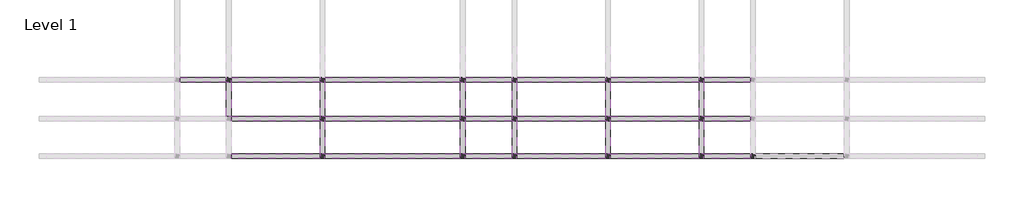
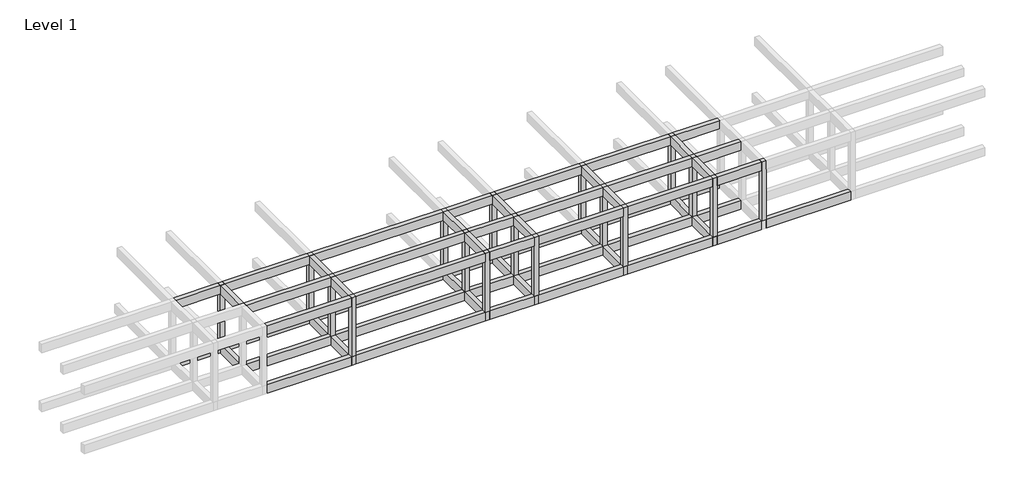
# One storey, part 2 of 5: 61 beams, 17 columns.
"""IFC4 building model written with IfcOpenShell, lengths in millimetres."""

from ifc_helpers import new_model, si_unit, frame, origin, origin_with_axes, place, context, project, spatial, polyline, outline, extrude, faceted_brep, element, save

model = new_model("IFC4")

# Units and contexts
model_context = context("Model", 3, world=origin())
ifc_project = project(units=[si_unit("LENGTHUNIT", "METRE", prefix="MILLI")], contexts=[model_context])

# Site, building, storey
site = spatial("IfcSite", under=ifc_project)
building = spatial("IfcBuilding", under=site)
storey = spatial("IfcBuildingStorey", under=building, Name="Level 1", Elevation=0.0)

# Beams
placement = place(None, origin())
element("IfcBeam", 1, ObjectType="M_Concrete-Rectangular Beam : 300 x 600mm", at=placement, inside=storey, context=model_context, shape_type="Brep", body=[
    faceted_brep([(7895.953533, -125.7492337, 0.0), (7595.953533, -125.7492337, 0.0), (7595.953533, -425.7492337, 0.0), (7595.953533, -2625.7492337, 0.0), (7895.953533, -2625.7492337, 0.0), (7895.953533, -425.7492337, 0.0), (7895.953533, -125.7492337, -600.0), (7895.953533, -2625.7492337, -600.0), (7895.953533, -425.7492337, -600.0), (7595.953533, -125.7492337, -600.0), (7595.953533, -2625.7492337, -600.0), (7595.953533, -425.7492337, -600.0)], [[[0, 1, 2, 3, 4, 5]], [[6, 0, 5, 4, 7, 8]], [[9, 6, 8, 7, 10, 11]], [[1, 9, 11, 10, 3, 2]], [[1, 0, 6, 9]], [[4, 3, 10, 7]]]),
])
element("IfcBeam", 2, ObjectType="M_Concrete-Rectangular Beam : 300 x 600mm", at=placement, inside=storey, context=model_context, shape_type="Brep", body=[
    faceted_brep([(13895.953533, -2625.7492337, 0.0), (13595.953533, -2625.7492337, 0.0), (13595.953533, -2925.7492337, 0.0), (13595.953533, -5025.7492337, 0.0), (13595.953533, -5325.7492337, 0.0), (13895.953533, -5325.7492337, 0.0), (13895.953533, -5025.7492337, 0.0), (13895.953533, -2925.7492337, 0.0), (13895.953533, -2625.7492337, -600.0), (13895.953533, -5325.7492337, -600.0), (13895.953533, -5025.7492337, -600.0), (13895.953533, -2925.7492337, -600.0), (13595.953533, -2625.7492337, -600.0), (13595.953533, -5325.7492337, -600.0), (13595.953533, -5025.7492337, -600.0), (13595.953533, -2925.7492337, -600.0)], [[[0, 1, 2, 3, 4, 5, 6, 7]], [[8, 0, 7, 6, 5, 9, 10, 11]], [[12, 8, 11, 10, 9, 13, 14, 15]], [[1, 12, 15, 14, 13, 4, 3, 2]], [[1, 0, 8, 12]], [[5, 4, 13, 9]]]),
])
element("IfcBeam", 3, ObjectType="M_Concrete-Rectangular Beam : 300 x 600mm", at=placement, inside=storey, context=model_context, shape_type="Brep", body=[
    faceted_brep([(13895.953533, -125.7492337, 0.0), (13595.953533, -125.7492337, 0.0), (13595.953533, -425.7492337, 0.0), (13595.953533, -2625.7492337, 0.0), (13895.953533, -2625.7492337, 0.0), (13895.953533, -425.7492337, 0.0), (13895.953533, -125.7492337, -600.0), (13895.953533, -2625.7492337, -600.0), (13895.953533, -425.7492337, -600.0), (13595.953533, -125.7492337, -600.0), (13595.953533, -2625.7492337, -600.0), (13595.953533, -425.7492337, -600.0)], [[[0, 1, 2, 3, 4, 5]], [[6, 0, 5, 4, 7, 8]], [[9, 6, 8, 7, 10, 11]], [[1, 9, 11, 10, 3, 2]], [[1, 0, 6, 9]], [[4, 3, 10, 7]]]),
])
element("IfcBeam", 4, ObjectType="M_Concrete-Rectangular Beam : 300 x 600mm", at=placement, inside=storey, context=model_context, shape_type="Brep", body=[
    faceted_brep([(26195.953533, -2625.7492337, 0.0), (25895.953533, -2625.7492337, 0.0), (25895.953533, -2925.7492337, 0.0), (25895.953533, -5025.7492337, 0.0), (25895.953533, -5325.7492337, 0.0), (26195.953533, -5325.7492337, 0.0), (26195.953533, -5025.7492337, 0.0), (26195.953533, -2925.7492337, 0.0), (26195.953533, -2625.7492337, -600.0), (26195.953533, -5325.7492337, -600.0), (26195.953533, -5025.7492337, -600.0), (26195.953533, -2925.7492337, -600.0), (25895.953533, -2625.7492337, -600.0), (25895.953533, -5325.7492337, -600.0), (25895.953533, -5025.7492337, -600.0), (25895.953533, -2925.7492337, -600.0)], [[[0, 1, 2, 3, 4, 5, 6, 7]], [[8, 0, 7, 6, 5, 9, 10, 11]], [[12, 8, 11, 10, 9, 13, 14, 15]], [[1, 12, 15, 14, 13, 4, 3, 2]], [[1, 0, 8, 12]], [[5, 4, 13, 9]]]),
])
element("IfcBeam", 5, ObjectType="M_Concrete-Rectangular Beam : 300 x 600mm", at=placement, inside=storey, context=model_context, shape_type="Brep", body=[
    faceted_brep([(26195.953533, -125.7492337, 0.0), (25895.953533, -125.7492337, 0.0), (25895.953533, -425.7492337, 0.0), (25895.953533, -2625.7492337, 0.0), (26195.953533, -2625.7492337, 0.0), (26195.953533, -425.7492337, 0.0), (26195.953533, -125.7492337, -600.0), (26195.953533, -2625.7492337, -600.0), (26195.953533, -425.7492337, -600.0), (25895.953533, -125.7492337, -600.0), (25895.953533, -2625.7492337, -600.0), (25895.953533, -425.7492337, -600.0)], [[[0, 1, 2, 3, 4, 5]], [[6, 0, 5, 4, 7, 8]], [[9, 6, 8, 7, 10, 11]], [[1, 9, 11, 10, 3, 2]], [[1, 0, 6, 9]], [[4, 3, 10, 7]]]),
])
element("IfcBeam", 6, ObjectType="M_Concrete-Rectangular Beam : 300 x 600mm", at=placement, inside=storey, context=model_context, shape_type="Brep", body=[
    faceted_brep([(22595.953533, -5325.7492337, 0.0), (22895.953533, -5325.7492337, 0.0), (22895.953533, -5025.7492337, 0.0), (22895.953533, -2925.7492337, 0.0), (22895.953533, -2625.7492337, 0.0), (22595.953533, -2625.7492337, 0.0), (22595.953533, -2925.7492337, 0.0), (22595.953533, -5025.7492337, 0.0), (22895.953533, -5325.7492337, -600.0), (22895.953533, -5025.7492337, -600.0), (22895.953533, -2925.7492337, -600.0), (22895.953533, -2625.7492337, -600.0), (22595.953533, -5325.7492337, -600.0), (22595.953533, -5025.7492337, -600.0), (22595.953533, -2925.7492337, -600.0), (22595.953533, -2625.7492337, -600.0)], [[[0, 1, 2, 3, 4, 5, 6, 7]], [[1, 8, 9, 10, 11, 4, 3, 2]], [[8, 12, 13, 14, 15, 11, 10, 9]], [[12, 0, 7, 6, 5, 15, 14, 13]], [[1, 0, 12, 8]], [[5, 4, 11, 15]]]),
])
element("IfcBeam", 7, ObjectType="M_Concrete-Rectangular Beam : 300 x 600mm", at=placement, inside=storey, context=model_context, shape_type="Brep", body=[
    faceted_brep([(22895.953533, -125.7492337, 0.0), (22595.953533, -125.7492337, 0.0), (22595.953533, -425.7492337, 0.0), (22595.953533, -2625.7492337, 0.0), (22895.953533, -2625.7492337, 0.0), (22895.953533, -425.7492337, 0.0), (22895.953533, -125.7492337, -600.0), (22895.953533, -2625.7492337, -600.0), (22895.953533, -425.7492337, -600.0), (22595.953533, -125.7492337, -600.0), (22595.953533, -2625.7492337, -600.0), (22595.953533, -425.7492337, -600.0)], [[[0, 1, 2, 3, 4, 5]], [[6, 0, 5, 4, 7, 8]], [[9, 6, 8, 7, 10, 11]], [[1, 9, 11, 10, 3, 2]], [[1, 0, 6, 9]], [[4, 3, 10, 7]]]),
])
element("IfcBeam", 8, ObjectType="M_Concrete-Rectangular Beam : 300 x 600mm", at=placement, inside=storey, context=model_context, shape_type="Brep", body=[
    faceted_brep([(32195.953533, -2625.7492337, 0.0), (31895.953533, -2625.7492337, 0.0), (31895.953533, -2925.7492337, 0.0), (31895.953533, -5025.7492337, 0.0), (31895.953533, -5325.7492337, 0.0), (32195.953533, -5325.7492337, 0.0), (32195.953533, -5025.7492337, 0.0), (32195.953533, -2925.7492337, 0.0), (32195.953533, -2625.7492337, -600.0), (32195.953533, -5325.7492337, -600.0), (32195.953533, -5025.7492337, -600.0), (32195.953533, -2925.7492337, -600.0), (31895.953533, -2625.7492337, -600.0), (31895.953533, -5325.7492337, -600.0), (31895.953533, -5025.7492337, -600.0), (31895.953533, -2925.7492337, -600.0)], [[[0, 1, 2, 3, 4, 5, 6, 7]], [[8, 0, 7, 6, 5, 9, 10, 11]], [[12, 8, 11, 10, 9, 13, 14, 15]], [[1, 12, 15, 14, 13, 4, 3, 2]], [[1, 0, 8, 12]], [[5, 4, 13, 9]]]),
])
element("IfcBeam", 9, ObjectType="M_Concrete-Rectangular Beam : 300 x 600mm", at=placement, inside=storey, context=model_context, shape_type="Brep", body=[
    faceted_brep([(32195.953533, -125.7492337, 0.0), (31895.953533, -125.7492337, 0.0), (31895.953533, -425.7492337, 0.0), (31895.953533, -2625.7492337, 0.0), (32195.953533, -2625.7492337, 0.0), (32195.953533, -425.7492337, 0.0), (32195.953533, -125.7492337, -600.0), (32195.953533, -2625.7492337, -600.0), (32195.953533, -425.7492337, -600.0), (31895.953533, -125.7492337, -600.0), (31895.953533, -2625.7492337, -600.0), (31895.953533, -425.7492337, -600.0)], [[[0, 1, 2, 3, 4, 5]], [[6, 0, 5, 4, 7, 8]], [[9, 6, 8, 7, 10, 11]], [[1, 9, 11, 10, 3, 2]], [[1, 0, 6, 9]], [[4, 3, 10, 7]]]),
])
element("IfcBeam", 10, ObjectType="M_Concrete-Rectangular Beam : 300 x 600mm", at=placement, inside=storey, context=model_context, shape_type="Brep", body=[
    faceted_brep([(37895.953533, -5325.7492337, 0.0), (38195.953533, -5325.7492337, 0.0), (38195.953533, -5025.7492337, 0.0), (38195.953533, -2925.7492337, 0.0), (38195.953533, -2625.7492337, 0.0), (37895.953533, -2625.7492337, 0.0), (37895.953533, -2925.7492337, 0.0), (37895.953533, -5025.7492337, 0.0), (38195.953533, -5325.7492337, -600.0), (38195.953533, -5025.7492337, -600.0), (38195.953533, -2925.7492337, -600.0), (38195.953533, -2625.7492337, -600.0), (37895.953533, -5325.7492337, -600.0), (37895.953533, -5025.7492337, -600.0), (37895.953533, -2925.7492337, -600.0), (37895.953533, -2625.7492337, -600.0)], [[[0, 1, 2, 3, 4, 5, 6, 7]], [[1, 8, 9, 10, 11, 4, 3, 2]], [[8, 12, 13, 14, 15, 11, 10, 9]], [[12, 0, 7, 6, 5, 15, 14, 13]], [[1, 0, 12, 8]], [[5, 4, 11, 15]]]),
])
element("IfcBeam", 11, ObjectType="M_Concrete-Rectangular Beam : 300 x 600mm", at=placement, inside=storey, context=model_context, shape_type="Brep", body=[
    faceted_brep([(38195.953533, -125.7492337, 0.0), (37895.953533, -125.7492337, 0.0), (37895.953533, -425.7492337, 0.0), (37895.953533, -2625.7492337, 0.0), (38195.953533, -2625.7492337, 0.0), (38195.953533, -425.7492337, 0.0), (38195.953533, -125.7492337, -600.0), (38195.953533, -2625.7492337, -600.0), (38195.953533, -425.7492337, -600.0), (37895.953533, -125.7492337, -600.0), (37895.953533, -2625.7492337, -600.0), (37895.953533, -425.7492337, -600.0)], [[[0, 1, 2, 3, 4, 5]], [[6, 0, 5, 4, 7, 8]], [[9, 6, 8, 7, 10, 11]], [[1, 9, 11, 10, 3, 2]], [[1, 0, 6, 9]], [[4, 3, 10, 7]]]),
])
element("IfcBeam", 12, ObjectType="M_Concrete-Rectangular Beam : 300 x 600mm", at=placement, inside=storey, context=model_context, shape_type="SweptSolid", body=[
    extrude(outline(polyline([(4595.953533, -425.7492337), (4595.953533, -125.7492337), (7595.953533, -125.7492337), (7595.953533, -425.7492337), (4595.953533, -425.7492337)])), frame((0.0, 0.0, -600.0), z_axis=(0.0, 0.0, 1.0), x_axis=(1.0, 0.0, 0.0)), (0.0, 0.0, 1.0), 600.0),
])
element("IfcBeam", 13, ObjectType="M_Concrete-Rectangular Beam : 300 x 600mm", at=placement, inside=storey, context=model_context, shape_type="SweptSolid", body=[
    extrude(outline(polyline([(7895.953533, -425.7492337), (7895.953533, -125.7492337), (13595.953533, -125.7492337), (13595.953533, -425.7492337), (7895.953533, -425.7492337)])), frame((0.0, 0.0, -600.0), z_axis=(0.0, 0.0, 1.0), x_axis=(1.0, 0.0, 0.0)), (0.0, 0.0, 1.0), 600.0),
])
element("IfcBeam", 14, ObjectType="M_Concrete-Rectangular Beam : 300 x 600mm", at=placement, inside=storey, context=model_context, shape_type="SweptSolid", body=[
    extrude(outline(polyline([(13895.953533, -425.7492337), (13895.953533, -125.7492337), (22595.953533, -125.7492337), (22595.953533, -425.7492337), (13895.953533, -425.7492337)])), frame((0.0, 0.0, -600.0), z_axis=(0.0, 0.0, 1.0), x_axis=(1.0, 0.0, 0.0)), (0.0, 0.0, 1.0), 600.0),
])
element("IfcBeam", 15, ObjectType="M_Concrete-Rectangular Beam : 300 x 600mm", at=placement, inside=storey, context=model_context, shape_type="SweptSolid", body=[
    extrude(outline(polyline([(25895.953533, -125.7492337), (25895.953533, -425.7492337), (22895.953533, -425.7492337), (22895.953533, -125.7492337), (25895.953533, -125.7492337)])), frame((0.0, 0.0, -600.0), z_axis=(0.0, 0.0, 1.0), x_axis=(1.0, 0.0, 0.0)), (0.0, 0.0, 1.0), 600.0),
])
element("IfcBeam", 16, ObjectType="M_Concrete-Rectangular Beam : 300 x 600mm", at=placement, inside=storey, context=model_context, shape_type="SweptSolid", body=[
    extrude(outline(polyline([(26195.953533, -425.7492337), (26195.953533, -125.7492337), (31895.953533, -125.7492337), (31895.953533, -425.7492337), (26195.953533, -425.7492337)])), frame((0.0, 0.0, -600.0), z_axis=(0.0, 0.0, 1.0), x_axis=(1.0, 0.0, 0.0)), (0.0, 0.0, 1.0), 600.0),
])
element("IfcBeam", 17, ObjectType="M_Concrete-Rectangular Beam : 300 x 600mm", at=placement, inside=storey, context=model_context, shape_type="SweptSolid", body=[
    extrude(outline(polyline([(32195.953533, -425.7492337), (32195.953533, -125.7492337), (37895.953533, -125.7492337), (37895.953533, -425.7492337), (32195.953533, -425.7492337)])), frame((0.0, 0.0, -600.0), z_axis=(0.0, 0.0, 1.0), x_axis=(1.0, 0.0, 0.0)), (0.0, 0.0, 1.0), 600.0),
])
element("IfcBeam", 18, ObjectType="M_Concrete-Rectangular Beam : 300 x 600mm", at=placement, inside=storey, context=model_context, shape_type="SweptSolid", body=[
    extrude(outline(polyline([(38195.953533, -425.7492337), (38195.953533, -125.7492337), (41195.953533, -125.7492337), (41195.953533, -425.7492337), (38195.953533, -425.7492337)])), frame((0.0, 0.0, -600.0), z_axis=(0.0, 0.0, 1.0), x_axis=(1.0, 0.0, 0.0)), (0.0, 0.0, 1.0), 600.0),
])
element("IfcBeam", 19, ObjectType="M_Concrete-Rectangular Beam : 300 x 600mm", at=placement, inside=storey, context=model_context, shape_type="SweptSolid", body=[
    extrude(outline(polyline([(7895.953533, -2925.7492337), (7895.953533, -2625.7492337), (13595.953533, -2625.7492337), (13595.953533, -2925.7492337), (7895.953533, -2925.7492337)])), frame((0.0, 0.0, -600.0), z_axis=(0.0, 0.0, 1.0), x_axis=(1.0, 0.0, 0.0)), (0.0, 0.0, 1.0), 600.0),
])
element("IfcBeam", 20, ObjectType="M_Concrete-Rectangular Beam : 300 x 600mm", at=placement, inside=storey, context=model_context, shape_type="SweptSolid", body=[
    extrude(outline(polyline([(13895.953533, -2925.7492337), (13895.953533, -2625.7492337), (22595.953533, -2625.7492337), (22595.953533, -2925.7492337), (13895.953533, -2925.7492337)])), frame((0.0, 0.0, -600.0), z_axis=(0.0, 0.0, 1.0), x_axis=(1.0, 0.0, 0.0)), (0.0, 0.0, 1.0), 600.0),
])
element("IfcBeam", 21, ObjectType="M_Concrete-Rectangular Beam : 300 x 600mm", at=placement, inside=storey, context=model_context, shape_type="SweptSolid", body=[
    extrude(outline(polyline([(25895.953533, -2625.7492337), (25895.953533, -2925.7492337), (22895.953533, -2925.7492337), (22895.953533, -2625.7492337), (25895.953533, -2625.7492337)])), frame((0.0, 0.0, -600.0), z_axis=(0.0, 0.0, 1.0), x_axis=(1.0, 0.0, 0.0)), (0.0, 0.0, 1.0), 600.0),
])
element("IfcBeam", 22, ObjectType="M_Concrete-Rectangular Beam : 300 x 600mm", at=placement, inside=storey, context=model_context, shape_type="SweptSolid", body=[
    extrude(outline(polyline([(26195.953533, -2925.7492337), (26195.953533, -2625.7492337), (31895.953533, -2625.7492337), (31895.953533, -2925.7492337), (26195.953533, -2925.7492337)])), frame((0.0, 0.0, -600.0), z_axis=(0.0, 0.0, 1.0), x_axis=(1.0, 0.0, 0.0)), (0.0, 0.0, 1.0), 600.0),
])
element("IfcBeam", 23, ObjectType="M_Concrete-Rectangular Beam : 300 x 600mm", at=placement, inside=storey, context=model_context, shape_type="SweptSolid", body=[
    extrude(outline(polyline([(32195.953533, -2925.7492337), (32195.953533, -2625.7492337), (37895.953533, -2625.7492337), (37895.953533, -2925.7492337), (32195.953533, -2925.7492337)])), frame((0.0, 0.0, -600.0), z_axis=(0.0, 0.0, 1.0), x_axis=(1.0, 0.0, 0.0)), (0.0, 0.0, 1.0), 600.0),
])
element("IfcBeam", 24, ObjectType="M_Concrete-Rectangular Beam : 300 x 600mm", at=placement, inside=storey, context=model_context, shape_type="SweptSolid", body=[
    extrude(outline(polyline([(38195.953533, -2925.7492337), (38195.953533, -2625.7492337), (41195.953533, -2625.7492337), (41195.953533, -2925.7492337), (38195.953533, -2925.7492337)])), frame((0.0, 0.0, -600.0), z_axis=(0.0, 0.0, 1.0), x_axis=(1.0, 0.0, 0.0)), (0.0, 0.0, 1.0), 600.0),
])
element("IfcBeam", 25, ObjectType="M_Concrete-Rectangular Beam : 300 x 600mm", at=placement, inside=storey, context=model_context, shape_type="SweptSolid", body=[
    extrude(outline(polyline([(7895.953533, -5325.7492337), (7895.953533, -5025.7492337), (13595.953533, -5025.7492337), (13595.953533, -5325.7492337), (7895.953533, -5325.7492337)])), frame((0.0, 0.0, -600.0), z_axis=(0.0, 0.0, 1.0), x_axis=(1.0, 0.0, 0.0)), (0.0, 0.0, 1.0), 600.0),
])
element("IfcBeam", 26, ObjectType="M_Concrete-Rectangular Beam : 300 x 600mm", at=placement, inside=storey, context=model_context, shape_type="SweptSolid", body=[
    extrude(outline(polyline([(13895.953533, -5325.7492337), (13895.953533, -5025.7492337), (22595.953533, -5025.7492337), (22595.953533, -5325.7492337), (13895.953533, -5325.7492337)])), frame((0.0, 0.0, -600.0), z_axis=(0.0, 0.0, 1.0), x_axis=(1.0, 0.0, 0.0)), (0.0, 0.0, 1.0), 600.0),
])
element("IfcBeam", 27, ObjectType="M_Concrete-Rectangular Beam : 300 x 600mm", at=placement, inside=storey, context=model_context, shape_type="SweptSolid", body=[
    extrude(outline(polyline([(25895.953533, -5025.7492337), (25895.953533, -5325.7492337), (22895.953533, -5325.7492337), (22895.953533, -5025.7492337), (25895.953533, -5025.7492337)])), frame((0.0, 0.0, -600.0), z_axis=(0.0, 0.0, 1.0), x_axis=(1.0, 0.0, 0.0)), (0.0, 0.0, 1.0), 600.0),
])
element("IfcBeam", 28, ObjectType="M_Concrete-Rectangular Beam : 300 x 600mm", at=placement, inside=storey, context=model_context, shape_type="SweptSolid", body=[
    extrude(outline(polyline([(26195.953533, -5325.7492337), (26195.953533, -5025.7492337), (31895.953533, -5025.7492337), (31895.953533, -5325.7492337), (26195.953533, -5325.7492337)])), frame((0.0, 0.0, -600.0), z_axis=(0.0, 0.0, 1.0), x_axis=(1.0, 0.0, 0.0)), (0.0, 0.0, 1.0), 600.0),
])
element("IfcBeam", 29, ObjectType="M_Concrete-Rectangular Beam : 300 x 600mm", at=placement, inside=storey, context=model_context, shape_type="SweptSolid", body=[
    extrude(outline(polyline([(32195.953533, -5325.7492337), (32195.953533, -5025.7492337), (37895.953533, -5025.7492337), (37895.953533, -5325.7492337), (32195.953533, -5325.7492337)])), frame((0.0, 0.0, -600.0), z_axis=(0.0, 0.0, 1.0), x_axis=(1.0, 0.0, 0.0)), (0.0, 0.0, 1.0), 600.0),
])
element("IfcBeam", 30, ObjectType="M_Concrete-Rectangular Beam : 300 x 600mm", at=placement, inside=storey, context=model_context, shape_type="SweptSolid", body=[
    extrude(outline(polyline([(38195.953533, -5325.7492337), (38195.953533, -5025.7492337), (41195.953533, -5025.7492337), (41195.953533, -5325.7492337), (38195.953533, -5325.7492337)])), frame((0.0, 0.0, -600.0), z_axis=(0.0, 0.0, 1.0), x_axis=(1.0, 0.0, 0.0)), (0.0, 0.0, 1.0), 600.0),
])
element("IfcBeam", 31, ObjectType="M_Concrete-Rectangular Beam : 300 x 600mm", at=placement, inside=storey, context=model_context, shape_type="SweptSolid", body=[
    extrude(outline(polyline([(41495.953533, -5325.7492337), (41495.953533, -5025.7492337), (47195.953533, -5025.7492337), (47195.953533, -5325.7492337), (41495.953533, -5325.7492337)])), frame((0.0, 0.0, -600.0), z_axis=(0.0, 0.0, 1.0), x_axis=(1.0, 0.0, 0.0)), (0.0, 0.0, 1.0), 600.0),
])
element("IfcBeam", 32, ObjectType="M_Concrete-Rectangular Beam : 300 x 600mm", at=placement, inside=storey, context=model_context, shape_type="SweptSolid", body=[
    extrude(outline(polyline([(7595.953533, -425.7492337), (7895.953533, -425.7492337), (7895.953533, -2625.7492337), (7595.953533, -2625.7492337), (7595.953533, -425.7492337)])), frame((0.0, 0.0, 3600.0), z_axis=(0.0, 0.0, 1.0), x_axis=(1.0, 0.0, 0.0)), (0.0, 0.0, 1.0), 600.0),
])
element("IfcBeam", 33, ObjectType="M_Concrete-Rectangular Beam : 300 x 600mm", at=placement, inside=storey, context=model_context, shape_type="SweptSolid", body=[
    extrude(outline(polyline([(13595.953533, -2925.7492337), (13895.953533, -2925.7492337), (13895.953533, -5025.7492337), (13595.953533, -5025.7492337), (13595.953533, -2925.7492337)])), frame((0.0, 0.0, 3600.0), z_axis=(0.0, 0.0, 1.0), x_axis=(1.0, 0.0, 0.0)), (0.0, 0.0, 1.0), 600.0),
])
element("IfcBeam", 34, ObjectType="M_Concrete-Rectangular Beam : 300 x 600mm", at=placement, inside=storey, context=model_context, shape_type="SweptSolid", body=[
    extrude(outline(polyline([(13595.953533, -425.7492337), (13895.953533, -425.7492337), (13895.953533, -2625.7492337), (13595.953533, -2625.7492337), (13595.953533, -425.7492337)])), frame((0.0, 0.0, 3600.0), z_axis=(0.0, 0.0, 1.0), x_axis=(1.0, 0.0, 0.0)), (0.0, 0.0, 1.0), 600.0),
])
element("IfcBeam", 35, ObjectType="M_Concrete-Rectangular Beam : 300 x 600mm", at=placement, inside=storey, context=model_context, shape_type="SweptSolid", body=[
    extrude(outline(polyline([(25895.953533, -2925.7492337), (26195.953533, -2925.7492337), (26195.953533, -5025.7492337), (25895.953533, -5025.7492337), (25895.953533, -2925.7492337)])), frame((0.0, 0.0, 3600.0), z_axis=(0.0, 0.0, 1.0), x_axis=(1.0, 0.0, 0.0)), (0.0, 0.0, 1.0), 600.0),
])
element("IfcBeam", 36, ObjectType="M_Concrete-Rectangular Beam : 300 x 600mm", at=placement, inside=storey, context=model_context, shape_type="SweptSolid", body=[
    extrude(outline(polyline([(25895.953533, -425.7492337), (26195.953533, -425.7492337), (26195.953533, -2625.7492337), (25895.953533, -2625.7492337), (25895.953533, -425.7492337)])), frame((0.0, 0.0, 3600.0), z_axis=(0.0, 0.0, 1.0), x_axis=(1.0, 0.0, 0.0)), (0.0, 0.0, 1.0), 600.0),
])
element("IfcBeam", 37, ObjectType="M_Concrete-Rectangular Beam : 300 x 600mm", at=placement, inside=storey, context=model_context, shape_type="SweptSolid", body=[
    extrude(outline(polyline([(22595.953533, -2925.7492337), (22895.953533, -2925.7492337), (22895.953533, -5025.7492337), (22595.953533, -5025.7492337), (22595.953533, -2925.7492337)])), frame((0.0, 0.0, 3600.0), z_axis=(0.0, 0.0, 1.0), x_axis=(1.0, 0.0, 0.0)), (0.0, 0.0, 1.0), 600.0),
])
element("IfcBeam", 38, ObjectType="M_Concrete-Rectangular Beam : 300 x 600mm", at=placement, inside=storey, context=model_context, shape_type="SweptSolid", body=[
    extrude(outline(polyline([(22595.953533, -425.7492337), (22895.953533, -425.7492337), (22895.953533, -2625.7492337), (22595.953533, -2625.7492337), (22595.953533, -425.7492337)])), frame((0.0, 0.0, 3600.0), z_axis=(0.0, 0.0, 1.0), x_axis=(1.0, 0.0, 0.0)), (0.0, 0.0, 1.0), 600.0),
])
element("IfcBeam", 39, ObjectType="M_Concrete-Rectangular Beam : 300 x 600mm", at=placement, inside=storey, context=model_context, shape_type="SweptSolid", body=[
    extrude(outline(polyline([(31895.953533, -2925.7492337), (32195.953533, -2925.7492337), (32195.953533, -5025.7492337), (31895.953533, -5025.7492337), (31895.953533, -2925.7492337)])), frame((0.0, 0.0, 3600.0), z_axis=(0.0, 0.0, 1.0), x_axis=(1.0, 0.0, 0.0)), (0.0, 0.0, 1.0), 600.0),
])
element("IfcBeam", 40, ObjectType="M_Concrete-Rectangular Beam : 300 x 600mm", at=placement, inside=storey, context=model_context, shape_type="SweptSolid", body=[
    extrude(outline(polyline([(31895.953533, -425.7492337), (32195.953533, -425.7492337), (32195.953533, -2625.7492337), (31895.953533, -2625.7492337), (31895.953533, -425.7492337)])), frame((0.0, 0.0, 3600.0), z_axis=(0.0, 0.0, 1.0), x_axis=(1.0, 0.0, 0.0)), (0.0, 0.0, 1.0), 600.0),
])
element("IfcBeam", 41, ObjectType="M_Concrete-Rectangular Beam : 300 x 600mm", at=placement, inside=storey, context=model_context, shape_type="SweptSolid", body=[
    extrude(outline(polyline([(37895.953533, -2925.7492337), (38195.953533, -2925.7492337), (38195.953533, -5025.7492337), (37895.953533, -5025.7492337), (37895.953533, -2925.7492337)])), frame((0.0, 0.0, 3600.0), z_axis=(0.0, 0.0, 1.0), x_axis=(1.0, 0.0, 0.0)), (0.0, 0.0, 1.0), 600.0),
])
element("IfcBeam", 42, ObjectType="M_Concrete-Rectangular Beam : 300 x 600mm", at=placement, inside=storey, context=model_context, shape_type="SweptSolid", body=[
    extrude(outline(polyline([(37895.953533, -425.7492337), (38195.953533, -425.7492337), (38195.953533, -2625.7492337), (37895.953533, -2625.7492337), (37895.953533, -425.7492337)])), frame((0.0, 0.0, 3600.0), z_axis=(0.0, 0.0, 1.0), x_axis=(1.0, 0.0, 0.0)), (0.0, 0.0, 1.0), 600.0),
])
element("IfcBeam", 43, ObjectType="M_Concrete-Rectangular Beam : 300 x 600mm", at=placement, inside=storey, context=model_context, shape_type="SweptSolid", body=[
    extrude(outline(polyline([(4595.953533, -425.7492337), (4595.953533, -125.7492337), (7595.953533, -125.7492337), (7595.953533, -425.7492337), (4595.953533, -425.7492337)])), frame((0.0, 0.0, 3600.0), z_axis=(0.0, 0.0, 1.0), x_axis=(1.0, 0.0, 0.0)), (0.0, 0.0, 1.0), 600.0),
])
element("IfcBeam", 44, ObjectType="M_Concrete-Rectangular Beam : 300 x 600mm", at=placement, inside=storey, context=model_context, shape_type="SweptSolid", body=[
    extrude(outline(polyline([(7895.953533, -425.7492337), (7895.953533, -125.7492337), (13595.953533, -125.7492337), (13595.953533, -425.7492337), (7895.953533, -425.7492337)])), frame((0.0, 0.0, 3600.0), z_axis=(0.0, 0.0, 1.0), x_axis=(1.0, 0.0, 0.0)), (0.0, 0.0, 1.0), 600.0),
])
element("IfcBeam", 45, ObjectType="M_Concrete-Rectangular Beam : 300 x 600mm", at=placement, inside=storey, context=model_context, shape_type="SweptSolid", body=[
    extrude(outline(polyline([(13895.953533, -425.7492337), (13895.953533, -125.7492337), (22595.953533, -125.7492337), (22595.953533, -425.7492337), (13895.953533, -425.7492337)])), frame((0.0, 0.0, 3600.0), z_axis=(0.0, 0.0, 1.0), x_axis=(1.0, 0.0, 0.0)), (0.0, 0.0, 1.0), 600.0),
])
element("IfcBeam", 46, ObjectType="M_Concrete-Rectangular Beam : 300 x 600mm", at=placement, inside=storey, context=model_context, shape_type="SweptSolid", body=[
    extrude(outline(polyline([(25895.953533, -125.7492337), (25895.953533, -425.7492337), (22895.953533, -425.7492337), (22895.953533, -125.7492337), (25895.953533, -125.7492337)])), frame((0.0, 0.0, 3600.0), z_axis=(0.0, 0.0, 1.0), x_axis=(1.0, 0.0, 0.0)), (0.0, 0.0, 1.0), 600.0),
])
element("IfcBeam", 47, ObjectType="M_Concrete-Rectangular Beam : 300 x 600mm", at=placement, inside=storey, context=model_context, shape_type="SweptSolid", body=[
    extrude(outline(polyline([(26195.953533, -425.7492337), (26195.953533, -125.7492337), (31895.953533, -125.7492337), (31895.953533, -425.7492337), (26195.953533, -425.7492337)])), frame((0.0, 0.0, 3600.0), z_axis=(0.0, 0.0, 1.0), x_axis=(1.0, 0.0, 0.0)), (0.0, 0.0, 1.0), 600.0),
])
element("IfcBeam", 48, ObjectType="M_Concrete-Rectangular Beam : 300 x 600mm", at=placement, inside=storey, context=model_context, shape_type="SweptSolid", body=[
    extrude(outline(polyline([(32195.953533, -425.7492337), (32195.953533, -125.7492337), (37895.953533, -125.7492337), (37895.953533, -425.7492337), (32195.953533, -425.7492337)])), frame((0.0, 0.0, 3600.0), z_axis=(0.0, 0.0, 1.0), x_axis=(1.0, 0.0, 0.0)), (0.0, 0.0, 1.0), 600.0),
])
element("IfcBeam", 49, ObjectType="M_Concrete-Rectangular Beam : 300 x 600mm", at=placement, inside=storey, context=model_context, shape_type="SweptSolid", body=[
    extrude(outline(polyline([(38195.953533, -425.7492337), (38195.953533, -125.7492337), (41195.953533, -125.7492337), (41195.953533, -425.7492337), (38195.953533, -425.7492337)])), frame((0.0, 0.0, 3600.0), z_axis=(0.0, 0.0, 1.0), x_axis=(1.0, 0.0, 0.0)), (0.0, 0.0, 1.0), 600.0),
])
element("IfcBeam", 50, ObjectType="M_Concrete-Rectangular Beam : 300 x 600mm", at=placement, inside=storey, context=model_context, shape_type="SweptSolid", body=[
    extrude(outline(polyline([(7895.953533, -2925.7492337), (7895.953533, -2625.7492337), (13595.953533, -2625.7492337), (13595.953533, -2925.7492337), (7895.953533, -2925.7492337)])), frame((0.0, 0.0, 3600.0), z_axis=(0.0, 0.0, 1.0), x_axis=(1.0, 0.0, 0.0)), (0.0, 0.0, 1.0), 600.0),
])
element("IfcBeam", 51, ObjectType="M_Concrete-Rectangular Beam : 300 x 600mm", at=placement, inside=storey, context=model_context, shape_type="SweptSolid", body=[
    extrude(outline(polyline([(13895.953533, -2925.7492337), (13895.953533, -2625.7492337), (22595.953533, -2625.7492337), (22595.953533, -2925.7492337), (13895.953533, -2925.7492337)])), frame((0.0, 0.0, 3600.0), z_axis=(0.0, 0.0, 1.0), x_axis=(1.0, 0.0, 0.0)), (0.0, 0.0, 1.0), 600.0),
])
element("IfcBeam", 52, ObjectType="M_Concrete-Rectangular Beam : 300 x 600mm", at=placement, inside=storey, context=model_context, shape_type="SweptSolid", body=[
    extrude(outline(polyline([(25895.953533, -2625.7492337), (25895.953533, -2925.7492337), (22895.953533, -2925.7492337), (22895.953533, -2625.7492337), (25895.953533, -2625.7492337)])), frame((0.0, 0.0, 3600.0), z_axis=(0.0, 0.0, 1.0), x_axis=(1.0, 0.0, 0.0)), (0.0, 0.0, 1.0), 600.0),
])
element("IfcBeam", 53, ObjectType="M_Concrete-Rectangular Beam : 300 x 600mm", at=placement, inside=storey, context=model_context, shape_type="SweptSolid", body=[
    extrude(outline(polyline([(26195.953533, -2925.7492337), (26195.953533, -2625.7492337), (31895.953533, -2625.7492337), (31895.953533, -2925.7492337), (26195.953533, -2925.7492337)])), frame((0.0, 0.0, 3600.0), z_axis=(0.0, 0.0, 1.0), x_axis=(1.0, 0.0, 0.0)), (0.0, 0.0, 1.0), 600.0),
])
element("IfcBeam", 54, ObjectType="M_Concrete-Rectangular Beam : 300 x 600mm", at=placement, inside=storey, context=model_context, shape_type="SweptSolid", body=[
    extrude(outline(polyline([(32195.953533, -2925.7492337), (32195.953533, -2625.7492337), (37895.953533, -2625.7492337), (37895.953533, -2925.7492337), (32195.953533, -2925.7492337)])), frame((0.0, 0.0, 3600.0), z_axis=(0.0, 0.0, 1.0), x_axis=(1.0, 0.0, 0.0)), (0.0, 0.0, 1.0), 600.0),
])
element("IfcBeam", 55, ObjectType="M_Concrete-Rectangular Beam : 300 x 600mm", at=placement, inside=storey, context=model_context, shape_type="SweptSolid", body=[
    extrude(outline(polyline([(38195.953533, -2925.7492337), (38195.953533, -2625.7492337), (41195.953533, -2625.7492337), (41195.953533, -2925.7492337), (38195.953533, -2925.7492337)])), frame((0.0, 0.0, 3600.0), z_axis=(0.0, 0.0, 1.0), x_axis=(1.0, 0.0, 0.0)), (0.0, 0.0, 1.0), 600.0),
])
element("IfcBeam", 56, ObjectType="M_Concrete-Rectangular Beam : 300 x 600mm", at=placement, inside=storey, context=model_context, shape_type="SweptSolid", body=[
    extrude(outline(polyline([(7895.953533, -5325.7492337), (7895.953533, -5025.7492337), (13595.953533, -5025.7492337), (13595.953533, -5325.7492337), (7895.953533, -5325.7492337)])), frame((0.0, 0.0, 3600.0), z_axis=(0.0, 0.0, 1.0), x_axis=(1.0, 0.0, 0.0)), (0.0, 0.0, 1.0), 600.0),
])
element("IfcBeam", 57, ObjectType="M_Concrete-Rectangular Beam : 300 x 600mm", at=placement, inside=storey, context=model_context, shape_type="SweptSolid", body=[
    extrude(outline(polyline([(13895.953533, -5325.7492337), (13895.953533, -5025.7492337), (22595.953533, -5025.7492337), (22595.953533, -5325.7492337), (13895.953533, -5325.7492337)])), frame((0.0, 0.0, 3600.0), z_axis=(0.0, 0.0, 1.0), x_axis=(1.0, 0.0, 0.0)), (0.0, 0.0, 1.0), 600.0),
])
element("IfcBeam", 58, ObjectType="M_Concrete-Rectangular Beam : 300 x 600mm", at=placement, inside=storey, context=model_context, shape_type="SweptSolid", body=[
    extrude(outline(polyline([(25895.953533, -5025.7492337), (25895.953533, -5325.7492337), (22895.953533, -5325.7492337), (22895.953533, -5025.7492337), (25895.953533, -5025.7492337)])), frame((0.0, 0.0, 3600.0), z_axis=(0.0, 0.0, 1.0), x_axis=(1.0, 0.0, 0.0)), (0.0, 0.0, 1.0), 600.0),
])
element("IfcBeam", 59, ObjectType="M_Concrete-Rectangular Beam : 300 x 600mm", at=placement, inside=storey, context=model_context, shape_type="SweptSolid", body=[
    extrude(outline(polyline([(26195.953533, -5325.7492337), (26195.953533, -5025.7492337), (31895.953533, -5025.7492337), (31895.953533, -5325.7492337), (26195.953533, -5325.7492337)])), frame((0.0, 0.0, 3600.0), z_axis=(0.0, 0.0, 1.0), x_axis=(1.0, 0.0, 0.0)), (0.0, 0.0, 1.0), 600.0),
])
element("IfcBeam", 60, ObjectType="M_Concrete-Rectangular Beam : 300 x 600mm", at=placement, inside=storey, context=model_context, shape_type="SweptSolid", body=[
    extrude(outline(polyline([(32195.953533, -5325.7492337), (32195.953533, -5025.7492337), (37895.953533, -5025.7492337), (37895.953533, -5325.7492337), (32195.953533, -5325.7492337)])), frame((0.0, 0.0, 3600.0), z_axis=(0.0, 0.0, 1.0), x_axis=(1.0, 0.0, 0.0)), (0.0, 0.0, 1.0), 600.0),
])
element("IfcBeam", 61, ObjectType="M_Concrete-Rectangular Beam : 300 x 600mm", at=placement, inside=storey, context=model_context, shape_type="SweptSolid", body=[
    extrude(outline(polyline([(38195.953533, -5325.7492337), (38195.953533, -5025.7492337), (41195.953533, -5025.7492337), (41195.953533, -5325.7492337), (38195.953533, -5325.7492337)])), frame((0.0, 0.0, 3600.0), z_axis=(0.0, 0.0, 1.0), x_axis=(1.0, 0.0, 0.0)), (0.0, 0.0, 1.0), 600.0),
])

# Columns
element("IfcColumn", 62, ObjectType="M_Concrete-Square-Column : 300 x 300mm", at=placement, inside=storey, context=model_context, shape_type="SweptSolid", body=[
    extrude(outline(polyline([(7895.953533, -125.7492337), (7895.953533, -425.7492337), (7595.953533, -425.7492337), (7595.953533, -125.7492337), (7895.953533, -125.7492337)])), origin_with_axes(), (0.0, 0.0, 1.0), 4200.0),
])
element("IfcColumn", 63, ObjectType="M_Concrete-Square-Column : 300 x 300mm", at=placement, inside=storey, context=model_context, shape_type="SweptSolid", body=[
    extrude(outline(polyline([(13895.953533, -125.7492337), (13895.953533, -425.7492337), (13595.953533, -425.7492337), (13595.953533, -125.7492337), (13895.953533, -125.7492337)])), origin_with_axes(), (0.0, 0.0, 1.0), 4200.0),
])
element("IfcColumn", 64, ObjectType="M_Concrete-Square-Column : 300 x 300mm", at=placement, inside=storey, context=model_context, shape_type="SweptSolid", body=[
    extrude(outline(polyline([(13895.953533, -2625.7492337), (13895.953533, -2925.7492337), (13595.953533, -2925.7492337), (13595.953533, -2625.7492337), (13895.953533, -2625.7492337)])), origin_with_axes(), (0.0, 0.0, 1.0), 4200.0),
])
element("IfcColumn", 65, ObjectType="M_Concrete-Square-Column : 300 x 300mm", at=placement, inside=storey, context=model_context, shape_type="SweptSolid", body=[
    extrude(outline(polyline([(13895.953533, -5025.7492337), (13895.953533, -5325.7492337), (13595.953533, -5325.7492337), (13595.953533, -5025.7492337), (13895.953533, -5025.7492337)])), origin_with_axes(), (0.0, 0.0, 1.0), 4200.0),
])
element("IfcColumn", 66, ObjectType="M_Concrete-Square-Column : 300 x 300mm", at=placement, inside=storey, context=model_context, shape_type="SweptSolid", body=[
    extrude(outline(polyline([(26195.953533, -125.7492337), (26195.953533, -425.7492337), (25895.953533, -425.7492337), (25895.953533, -125.7492337), (26195.953533, -125.7492337)])), origin_with_axes(), (0.0, 0.0, 1.0), 4200.0),
])
element("IfcColumn", 67, ObjectType="M_Concrete-Square-Column : 300 x 300mm", at=placement, inside=storey, context=model_context, shape_type="SweptSolid", body=[
    extrude(outline(polyline([(26195.953533, -2625.7492337), (26195.953533, -2925.7492337), (25895.953533, -2925.7492337), (25895.953533, -2625.7492337), (26195.953533, -2625.7492337)])), origin_with_axes(), (0.0, 0.0, 1.0), 4200.0),
])
element("IfcColumn", 68, ObjectType="M_Concrete-Square-Column : 300 x 300mm", at=placement, inside=storey, context=model_context, shape_type="SweptSolid", body=[
    extrude(outline(polyline([(26195.953533, -5025.7492337), (26195.953533, -5325.7492337), (25895.953533, -5325.7492337), (25895.953533, -5025.7492337), (26195.953533, -5025.7492337)])), origin_with_axes(), (0.0, 0.0, 1.0), 4200.0),
])
element("IfcColumn", 69, ObjectType="M_Concrete-Square-Column : 300 x 300mm", at=placement, inside=storey, context=model_context, shape_type="SweptSolid", body=[
    extrude(outline(polyline([(22895.953533, -125.7492337), (22895.953533, -425.7492337), (22595.953533, -425.7492337), (22595.953533, -125.7492337), (22895.953533, -125.7492337)])), origin_with_axes(), (0.0, 0.0, 1.0), 4200.0),
])
element("IfcColumn", 70, ObjectType="M_Concrete-Square-Column : 300 x 300mm", at=placement, inside=storey, context=model_context, shape_type="SweptSolid", body=[
    extrude(outline(polyline([(22895.953533, -2625.7492337), (22895.953533, -2925.7492337), (22595.953533, -2925.7492337), (22595.953533, -2625.7492337), (22895.953533, -2625.7492337)])), origin_with_axes(), (0.0, 0.0, 1.0), 4200.0),
])
element("IfcColumn", 71, ObjectType="M_Concrete-Square-Column : 300 x 300mm", at=placement, inside=storey, context=model_context, shape_type="SweptSolid", body=[
    extrude(outline(polyline([(22895.953533, -5025.7492337), (22895.953533, -5325.7492337), (22595.953533, -5325.7492337), (22595.953533, -5025.7492337), (22895.953533, -5025.7492337)])), origin_with_axes(), (0.0, 0.0, 1.0), 4200.0),
])
element("IfcColumn", 72, ObjectType="M_Concrete-Square-Column : 300 x 300mm", at=placement, inside=storey, context=model_context, shape_type="SweptSolid", body=[
    extrude(outline(polyline([(32195.953533, -125.7492337), (32195.953533, -425.7492337), (31895.953533, -425.7492337), (31895.953533, -125.7492337), (32195.953533, -125.7492337)])), origin_with_axes(), (0.0, 0.0, 1.0), 4200.0),
])
element("IfcColumn", 73, ObjectType="M_Concrete-Square-Column : 300 x 300mm", at=placement, inside=storey, context=model_context, shape_type="SweptSolid", body=[
    extrude(outline(polyline([(32195.953533, -2625.7492337), (32195.953533, -2925.7492337), (31895.953533, -2925.7492337), (31895.953533, -2625.7492337), (32195.953533, -2625.7492337)])), origin_with_axes(), (0.0, 0.0, 1.0), 4200.0),
])
element("IfcColumn", 74, ObjectType="M_Concrete-Square-Column : 300 x 300mm", at=placement, inside=storey, context=model_context, shape_type="SweptSolid", body=[
    extrude(outline(polyline([(32195.953533, -5025.7492337), (32195.953533, -5325.7492337), (31895.953533, -5325.7492337), (31895.953533, -5025.7492337), (32195.953533, -5025.7492337)])), origin_with_axes(), (0.0, 0.0, 1.0), 4200.0),
])
element("IfcColumn", 75, ObjectType="M_Concrete-Square-Column : 300 x 300mm", at=placement, inside=storey, context=model_context, shape_type="SweptSolid", body=[
    extrude(outline(polyline([(38195.953533, -125.7492337), (38195.953533, -425.7492337), (37895.953533, -425.7492337), (37895.953533, -125.7492337), (38195.953533, -125.7492337)])), origin_with_axes(), (0.0, 0.0, 1.0), 4200.0),
])
element("IfcColumn", 76, ObjectType="M_Concrete-Square-Column : 300 x 300mm", at=placement, inside=storey, context=model_context, shape_type="SweptSolid", body=[
    extrude(outline(polyline([(38195.953533, -2625.7492337), (38195.953533, -2925.7492337), (37895.953533, -2925.7492337), (37895.953533, -2625.7492337), (38195.953533, -2625.7492337)])), origin_with_axes(), (0.0, 0.0, 1.0), 4200.0),
])
element("IfcColumn", 77, ObjectType="M_Concrete-Square-Column : 300 x 300mm", at=placement, inside=storey, context=model_context, shape_type="SweptSolid", body=[
    extrude(outline(polyline([(38195.953533, -5025.7492337), (38195.953533, -5325.7492337), (37895.953533, -5325.7492337), (37895.953533, -5025.7492337), (38195.953533, -5025.7492337)])), origin_with_axes(), (0.0, 0.0, 1.0), 4200.0),
])
element("IfcColumn", 78, ObjectType="M_Concrete-Square-Column : 300 x 300mm", at=placement, inside=storey, context=model_context, shape_type="SweptSolid", body=[
    extrude(outline(polyline([(41495.953533, -5025.7492337), (41495.953533, -5325.7492337), (41195.953533, -5325.7492337), (41195.953533, -5025.7492337), (41495.953533, -5025.7492337)])), origin_with_axes(), (0.0, 0.0, 1.0), 4200.0),
])

save(model, "model.ifc")
